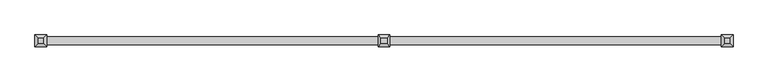
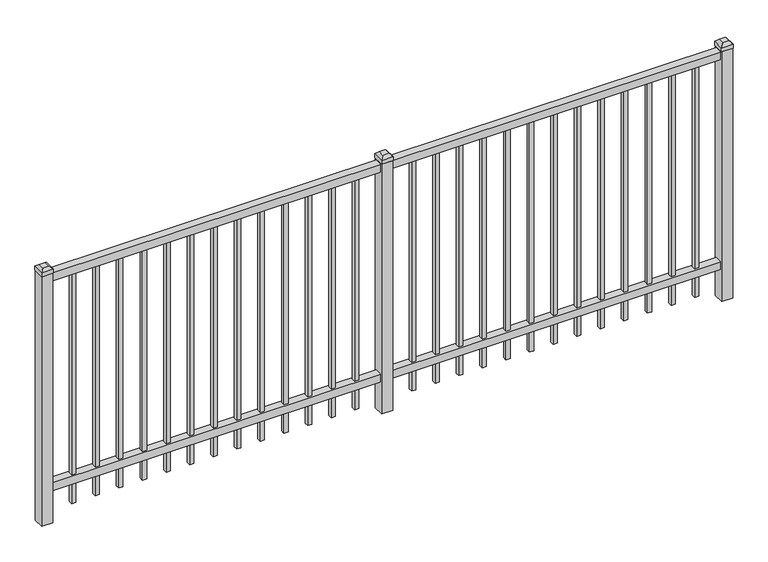
"""IFC4 building model written with IfcOpenShell, lengths in millimetres: railing geometry."""

from ifc_helpers import new_model, si_unit, frame, origin, origin_with_axes, place, context, project, spatial, polyline, outline, extrude, faceted_brep, source, transform, mapped, element, save


def railing_03a5f87d(model_context):
    return source(origin(), model_context, "Body", "SolidModel", [
        extrude(outline(polyline([(-79633.318087, 3004.8804826), (-79633.318087, 3039.8054826), (-76483.718087, 3039.8054826), (-76483.718087, 3004.8804826), (-79633.318087, 3004.8804826)])), frame((0.0, 0.0, 1181.1), z_axis=(0.0, 0.0, 1.0), x_axis=(1.0, 0.0, 0.0)), (0.0, 0.0, 1.0), 38.1),
        extrude(outline(polyline([(-79633.318087, 3004.8804826), (-79633.318087, 3039.8054826), (-76483.718087, 3039.8054826), (-76483.718087, 3004.8804826), (-79633.318087, 3004.8804826)])), frame((0.0, 0.0, 152.4), z_axis=(0.0, 0.0, 1.0), x_axis=(1.0, 0.0, 0.0)), (0.0, 0.0, 1.0), 38.1),
        extrude(outline(polyline([(-76715.2285036, 3031.8679826), (-76715.2285036, 3012.8179826), (-76734.2785036, 3012.8179826), (-76734.2785036, 3031.8679826), (-76715.2285036, 3031.8679826)])), frame((0.0, 0.0, 50.8), z_axis=(0.0, 0.0, 1.0), x_axis=(1.0, 0.0, 0.0)), (0.0, 0.0, 1.0), 1130.3),
        extrude(outline(polyline([(-76824.5014203, 3031.8679826), (-76824.5014203, 3012.8179826), (-76843.5514203, 3012.8179826), (-76843.5514203, 3031.8679826), (-76824.5014203, 3031.8679826)])), frame((0.0, 0.0, 50.8), z_axis=(0.0, 0.0, 1.0), x_axis=(1.0, 0.0, 0.0)), (0.0, 0.0, 1.0), 1130.3),
        extrude(outline(polyline([(-76933.774337, 3031.8679826), (-76933.774337, 3012.8179826), (-76952.824337, 3012.8179826), (-76952.824337, 3031.8679826), (-76933.774337, 3031.8679826)])), frame((0.0, 0.0, 50.8), z_axis=(0.0, 0.0, 1.0), x_axis=(1.0, 0.0, 0.0)), (0.0, 0.0, 1.0), 1130.3),
        extrude(outline(polyline([(-77043.0472536, 3031.8679826), (-77043.0472536, 3012.8179826), (-77062.0972536, 3012.8179826), (-77062.0972536, 3031.8679826), (-77043.0472536, 3031.8679826)])), frame((0.0, 0.0, 50.8), z_axis=(0.0, 0.0, 1.0), x_axis=(1.0, 0.0, 0.0)), (0.0, 0.0, 1.0), 1130.3),
        extrude(outline(polyline([(-77152.3201703, 3031.8679826), (-77152.3201703, 3012.8179826), (-77171.3701703, 3012.8179826), (-77171.3701703, 3031.8679826), (-77152.3201703, 3031.8679826)])), frame((0.0, 0.0, 50.8), z_axis=(0.0, 0.0, 1.0), x_axis=(1.0, 0.0, 0.0)), (0.0, 0.0, 1.0), 1130.3),
        extrude(outline(polyline([(-77261.593087, 3031.8679826), (-77261.593087, 3012.8179826), (-77280.643087, 3012.8179826), (-77280.643087, 3031.8679826), (-77261.593087, 3031.8679826)])), frame((0.0, 0.0, 50.8), z_axis=(0.0, 0.0, 1.0), x_axis=(1.0, 0.0, 0.0)), (0.0, 0.0, 1.0), 1130.3),
        extrude(outline(polyline([(-77370.8660036, 3031.8679826), (-77370.8660036, 3012.8179826), (-77389.9160036, 3012.8179826), (-77389.9160036, 3031.8679826), (-77370.8660036, 3031.8679826)])), frame((0.0, 0.0, 50.8), z_axis=(0.0, 0.0, 1.0), x_axis=(1.0, 0.0, 0.0)), (0.0, 0.0, 1.0), 1130.3),
        extrude(outline(polyline([(-77480.1389203, 3031.8679826), (-77480.1389203, 3012.8179826), (-77499.1889203, 3012.8179826), (-77499.1889203, 3031.8679826), (-77480.1389203, 3031.8679826)])), frame((0.0, 0.0, 50.8), z_axis=(0.0, 0.0, 1.0), x_axis=(1.0, 0.0, 0.0)), (0.0, 0.0, 1.0), 1130.3),
        extrude(outline(polyline([(-77589.411837, 3031.8679826), (-77589.411837, 3012.8179826), (-77608.461837, 3012.8179826), (-77608.461837, 3031.8679826), (-77589.411837, 3031.8679826)])), frame((0.0, 0.0, 50.8), z_axis=(0.0, 0.0, 1.0), x_axis=(1.0, 0.0, 0.0)), (0.0, 0.0, 1.0), 1130.3),
        extrude(outline(polyline([(-77698.6847536, 3031.8679826), (-77698.6847536, 3012.8179826), (-77717.7347536, 3012.8179826), (-77717.7347536, 3031.8679826), (-77698.6847536, 3031.8679826)])), frame((0.0, 0.0, 50.8), z_axis=(0.0, 0.0, 1.0), x_axis=(1.0, 0.0, 0.0)), (0.0, 0.0, 1.0), 1130.3),
        extrude(outline(polyline([(-77807.9576703, 3031.8679826), (-77807.9576703, 3012.8179826), (-77827.0076703, 3012.8179826), (-77827.0076703, 3031.8679826), (-77807.9576703, 3031.8679826)])), frame((0.0, 0.0, 50.8), z_axis=(0.0, 0.0, 1.0), x_axis=(1.0, 0.0, 0.0)), (0.0, 0.0, 1.0), 1130.3),
        extrude(outline(polyline([(-76605.955587, 3031.8679826), (-76605.955587, 3012.8179826), (-76625.005587, 3012.8179826), (-76625.005587, 3031.8679826), (-76605.955587, 3031.8679826)])), frame((0.0, 0.0, 50.8), z_axis=(0.0, 0.0, 1.0), x_axis=(1.0, 0.0, 0.0)), (0.0, 0.0, 1.0), 1130.3),
        extrude(outline(polyline([(-77917.230587, 3031.8679826), (-77917.230587, 3012.8179826), (-77936.280587, 3012.8179826), (-77936.280587, 3031.8679826), (-77917.230587, 3031.8679826)])), frame((0.0, 0.0, 50.8), z_axis=(0.0, 0.0, 1.0), x_axis=(1.0, 0.0, 0.0)), (0.0, 0.0, 1.0), 1130.3),
        extrude(outline(polyline([(-78033.118087, 3047.7429826), (-78033.118087, 2996.9429826), (-78083.918087, 2996.9429826), (-78083.918087, 3047.7429826), (-78033.118087, 3047.7429826)])), origin_with_axes(), (0.0, 0.0, 1.0), 1225.55),
        faceted_brep([(-78085.505587, 3049.3304826, 1244.6), (-78085.505587, 3049.3304826, 1225.55), (-78085.505587, 2995.3554826, 1225.55), (-78085.505587, 2995.3554826, 1244.6), (-78072.805587, 3036.6304826, 1257.3), (-78072.805587, 3008.0554826, 1257.3), (-78031.530587, 2995.3554826, 1225.55), (-78031.530587, 2995.3554826, 1244.6), (-78044.230587, 3008.0554826, 1257.3), (-78031.530587, 3049.3304826, 1225.55), (-78031.530587, 3049.3304826, 1244.6), (-78044.230587, 3036.6304826, 1257.3)], [[[0, 1, 2, 3]], [[4, 0, 3, 5]], [[3, 2, 6, 7]], [[5, 3, 7, 8]], [[7, 6, 9, 10]], [[8, 7, 10, 11]], [[10, 9, 1, 0]], [[11, 10, 0, 4]], [[5, 8, 11, 4]], [[1, 9, 6, 2]]]),
        extrude(outline(polyline([(-78290.0285036, 3031.8679826), (-78290.0285036, 3012.8179826), (-78309.0785036, 3012.8179826), (-78309.0785036, 3031.8679826), (-78290.0285036, 3031.8679826)])), frame((0.0, 0.0, 50.8), z_axis=(0.0, 0.0, 1.0), x_axis=(1.0, 0.0, 0.0)), (0.0, 0.0, 1.0), 1130.3),
        extrude(outline(polyline([(-78399.3014203, 3031.8679826), (-78399.3014203, 3012.8179826), (-78418.3514203, 3012.8179826), (-78418.3514203, 3031.8679826), (-78399.3014203, 3031.8679826)])), frame((0.0, 0.0, 50.8), z_axis=(0.0, 0.0, 1.0), x_axis=(1.0, 0.0, 0.0)), (0.0, 0.0, 1.0), 1130.3),
        extrude(outline(polyline([(-78508.574337, 3031.8679826), (-78508.574337, 3012.8179826), (-78527.624337, 3012.8179826), (-78527.624337, 3031.8679826), (-78508.574337, 3031.8679826)])), frame((0.0, 0.0, 50.8), z_axis=(0.0, 0.0, 1.0), x_axis=(1.0, 0.0, 0.0)), (0.0, 0.0, 1.0), 1130.3),
        extrude(outline(polyline([(-78617.8472536, 3031.8679826), (-78617.8472536, 3012.8179826), (-78636.8972536, 3012.8179826), (-78636.8972536, 3031.8679826), (-78617.8472536, 3031.8679826)])), frame((0.0, 0.0, 50.8), z_axis=(0.0, 0.0, 1.0), x_axis=(1.0, 0.0, 0.0)), (0.0, 0.0, 1.0), 1130.3),
        extrude(outline(polyline([(-78727.1201703, 3031.8679826), (-78727.1201703, 3012.8179826), (-78746.1701703, 3012.8179826), (-78746.1701703, 3031.8679826), (-78727.1201703, 3031.8679826)])), frame((0.0, 0.0, 50.8), z_axis=(0.0, 0.0, 1.0), x_axis=(1.0, 0.0, 0.0)), (0.0, 0.0, 1.0), 1130.3),
        extrude(outline(polyline([(-78836.393087, 3031.8679826), (-78836.393087, 3012.8179826), (-78855.443087, 3012.8179826), (-78855.443087, 3031.8679826), (-78836.393087, 3031.8679826)])), frame((0.0, 0.0, 50.8), z_axis=(0.0, 0.0, 1.0), x_axis=(1.0, 0.0, 0.0)), (0.0, 0.0, 1.0), 1130.3),
        extrude(outline(polyline([(-78945.6660036, 3031.8679826), (-78945.6660036, 3012.8179826), (-78964.7160036, 3012.8179826), (-78964.7160036, 3031.8679826), (-78945.6660036, 3031.8679826)])), frame((0.0, 0.0, 50.8), z_axis=(0.0, 0.0, 1.0), x_axis=(1.0, 0.0, 0.0)), (0.0, 0.0, 1.0), 1130.3),
        extrude(outline(polyline([(-79054.9389203, 3031.8679826), (-79054.9389203, 3012.8179826), (-79073.9889203, 3012.8179826), (-79073.9889203, 3031.8679826), (-79054.9389203, 3031.8679826)])), frame((0.0, 0.0, 50.8), z_axis=(0.0, 0.0, 1.0), x_axis=(1.0, 0.0, 0.0)), (0.0, 0.0, 1.0), 1130.3),
        extrude(outline(polyline([(-79164.211837, 3031.8679826), (-79164.211837, 3012.8179826), (-79183.261837, 3012.8179826), (-79183.261837, 3031.8679826), (-79164.211837, 3031.8679826)])), frame((0.0, 0.0, 50.8), z_axis=(0.0, 0.0, 1.0), x_axis=(1.0, 0.0, 0.0)), (0.0, 0.0, 1.0), 1130.3),
        extrude(outline(polyline([(-79273.4847536, 3031.8679826), (-79273.4847536, 3012.8179826), (-79292.5347536, 3012.8179826), (-79292.5347536, 3031.8679826), (-79273.4847536, 3031.8679826)])), frame((0.0, 0.0, 50.8), z_axis=(0.0, 0.0, 1.0), x_axis=(1.0, 0.0, 0.0)), (0.0, 0.0, 1.0), 1130.3),
        extrude(outline(polyline([(-79382.7576703, 3031.8679826), (-79382.7576703, 3012.8179826), (-79401.8076703, 3012.8179826), (-79401.8076703, 3031.8679826), (-79382.7576703, 3031.8679826)])), frame((0.0, 0.0, 50.8), z_axis=(0.0, 0.0, 1.0), x_axis=(1.0, 0.0, 0.0)), (0.0, 0.0, 1.0), 1130.3),
        extrude(outline(polyline([(-78180.755587, 3031.8679826), (-78180.755587, 3012.8179826), (-78199.805587, 3012.8179826), (-78199.805587, 3031.8679826), (-78180.755587, 3031.8679826)])), frame((0.0, 0.0, 50.8), z_axis=(0.0, 0.0, 1.0), x_axis=(1.0, 0.0, 0.0)), (0.0, 0.0, 1.0), 1130.3),
        extrude(outline(polyline([(-79492.030587, 3031.8679826), (-79492.030587, 3012.8179826), (-79511.080587, 3012.8179826), (-79511.080587, 3031.8679826), (-79492.030587, 3031.8679826)])), frame((0.0, 0.0, 50.8), z_axis=(0.0, 0.0, 1.0), x_axis=(1.0, 0.0, 0.0)), (0.0, 0.0, 1.0), 1130.3),
        extrude(outline(polyline([(-76458.318087, 3047.7429826), (-76458.318087, 2996.9429826), (-76509.118087, 2996.9429826), (-76509.118087, 3047.7429826), (-76458.318087, 3047.7429826)])), origin_with_axes(), (0.0, 0.0, 1.0), 1225.55),
        faceted_brep([(-76510.705587, 3049.3304826, 1244.6), (-76510.705587, 3049.3304826, 1225.55), (-76510.705587, 2995.3554826, 1225.55), (-76510.705587, 2995.3554826, 1244.6), (-76498.005587, 3036.6304826, 1257.3), (-76498.005587, 3008.0554826, 1257.3), (-76456.730587, 2995.3554826, 1225.55), (-76456.730587, 2995.3554826, 1244.6), (-76469.430587, 3008.0554826, 1257.3), (-76456.730587, 3049.3304826, 1225.55), (-76456.730587, 3049.3304826, 1244.6), (-76469.430587, 3036.6304826, 1257.3)], [[[0, 1, 2, 3]], [[4, 0, 3, 5]], [[3, 2, 6, 7]], [[5, 3, 7, 8]], [[7, 6, 9, 10]], [[8, 7, 10, 11]], [[10, 9, 1, 0]], [[11, 10, 0, 4]], [[5, 8, 11, 4]], [[1, 9, 6, 2]]]),
        extrude(outline(polyline([(-79607.918087, 3047.7429826), (-79607.918087, 2996.9429826), (-79658.718087, 2996.9429826), (-79658.718087, 3047.7429826), (-79607.918087, 3047.7429826)])), origin_with_axes(), (0.0, 0.0, 1.0), 1225.55),
        faceted_brep([(-79660.305587, 3049.3304826, 1244.6), (-79660.305587, 3049.3304826, 1225.55), (-79660.305587, 2995.3554826, 1225.55), (-79660.305587, 2995.3554826, 1244.6), (-79647.605587, 3036.6304826, 1257.3), (-79647.605587, 3008.0554826, 1257.3), (-79606.330587, 2995.3554826, 1225.55), (-79606.330587, 2995.3554826, 1244.6), (-79619.030587, 3008.0554826, 1257.3), (-79606.330587, 3049.3304826, 1225.55), (-79606.330587, 3049.3304826, 1244.6), (-79619.030587, 3036.6304826, 1257.3)], [[[0, 1, 2, 3]], [[4, 0, 3, 5]], [[3, 2, 6, 7]], [[5, 3, 7, 8]], [[7, 6, 9, 10]], [[8, 7, 10, 11]], [[10, 9, 1, 0]], [[11, 10, 0, 4]], [[5, 8, 11, 4]], [[1, 9, 6, 2]]]),
    ])


if __name__ == "__main__":
    model = new_model("IFC4")
    model_context = context("Model", 3, world=origin())
    ifc_project = project(units=[si_unit("LENGTHUNIT", "METRE", prefix="MILLI")], contexts=[model_context])
    site = spatial("IfcSite", under=ifc_project)
    building = spatial("IfcBuilding", under=site)
    placement = place(None, origin())
    railing_shape = railing_03a5f87d(model_context)
    element("IfcRailing", 1, at=placement, inside=building, context=model_context, shape_type="MappedRepresentation", body=[
        mapped(railing_shape, transform((0.0, 0.0, 0.0), x_axis=(1.0, 0.0, 0.0), y_axis=(0.0, 1.0, 0.0), z_axis=(0.0, 0.0, 1.0))),
    ])
    save(model, "model.ifc")
